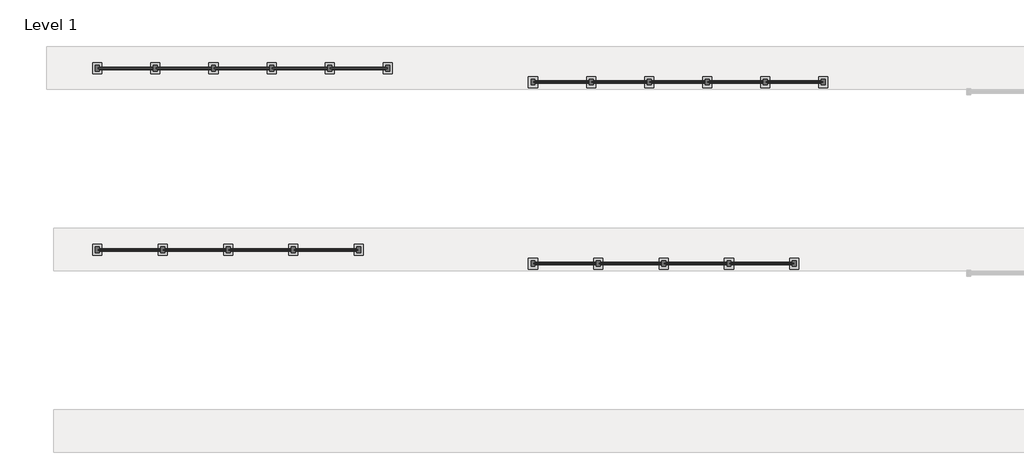
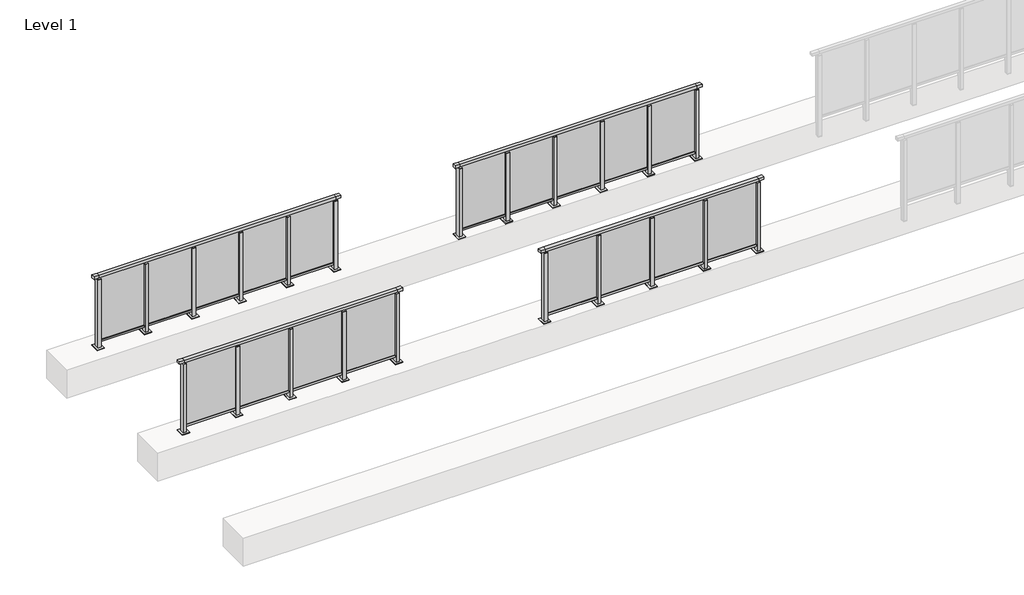
# One storey, part 37 of 38: 4 railings.
"""IFC4 building model written with IfcOpenShell, lengths in millimetres."""

from ifc_helpers import new_model, si_unit, frame, origin, origin_with_axes, place, context, project, spatial, polyline, outline, extrude, faceted_brep, element, save

model = new_model("IFC4")

# Units and contexts
model_context = context("Model", 3, world=origin())
ifc_project = project(units=[si_unit("LENGTHUNIT", "METRE", prefix="MILLI")], contexts=[model_context])

# Site, building, storey
site = spatial("IfcSite", under=ifc_project)
building = spatial("IfcBuilding", under=site)
storey = spatial("IfcBuildingStorey", under=building, Name="Level 1", Elevation=0.0)

# Railings
placement = place(None, origin())
element("IfcRailing", 1, at=placement, inside=storey, context=model_context, shape_type="SolidModel", body=[
    faceted_brep([(29476.1884576, 65220.1846828, 1252.5), (29476.1884576, 65220.1846828, 1300.0), (33076.1884576, 65220.1846828, 1300.0), (33076.1884576, 65220.1846828, 1252.5), (29476.1884576, 65160.1846828, 1252.5), (33076.1884576, 65160.1846828, 1252.5), (29476.1884576, 65160.1846828, 1300.0), (33076.1884576, 65160.1846828, 1300.0), (29388.6884576, 65220.1846828, 1300.0), (29388.6884576, 65220.1846828, 1252.5), (29388.6884576, 65160.1846828, 1252.5), (29388.6884576, 65160.1846828, 1300.0), (33163.6884576, 65220.1846828, 1300.0), (33163.6884576, 65160.1846828, 1300.0), (33163.6884576, 65160.1846828, 1252.5), (33163.6884576, 65220.1846828, 1252.5)], [[[0, 1, 2, 3]], [[4, 0, 3, 5]], [[6, 4, 5, 7]], [[1, 6, 7, 2]], [[8, 9, 10, 11]], [[9, 8, 1, 0]], [[10, 9, 0, 4]], [[11, 10, 4, 6]], [[8, 11, 6, 1]], [[12, 13, 14, 15]], [[3, 2, 12, 15]], [[5, 3, 15, 14]], [[7, 5, 14, 13]], [[2, 7, 13, 12]]]),
    extrude(outline(polyline([(29476.1884576, 65172.1846828), (29476.1884576, 65208.1846828), (33076.1884576, 65208.1846828), (33076.1884576, 65172.1846828), (29476.1884576, 65172.1846828)])), frame((0.0, 0.0, 93.0), z_axis=(0.0, 0.0, 1.0), x_axis=(1.0, 0.0, 0.0)), (0.0, 0.0, 1.0), 32.0),
    extrude(outline(polyline([(32186.1884576, 65193.9598727), (33066.1884576, 65193.9598727), (33066.1884576, 65183.9598727), (32186.1884576, 65183.9598727), (32186.1884576, 65193.9598727)])), frame((0.0, 0.0, 125.0), z_axis=(0.0, 0.0, 1.0), x_axis=(1.0, 0.0, 0.0)), (0.0, 0.0, 1.0), 1130.0),
    extrude(outline(polyline([(32203.1884576, 65151.1846828), (32149.1884576, 65151.1846828), (32149.1884576, 65229.1846828), (32203.1884576, 65229.1846828), (32203.1884576, 65151.1846828)])), frame((0.0, 0.0, 12.0), z_axis=(0.0, 0.0, 1.0), x_axis=(1.0, 0.0, 0.0)), (0.0, 0.0, 1.0), 1215.0),
    extrude(outline(polyline([(32186.1884576, 65180.1846828), (32166.1884576, 65180.1846828), (32166.1884576, 65200.1846828), (32186.1884576, 65200.1846828), (32186.1884576, 65180.1846828)])), frame((0.0, 0.0, 1235.0), z_axis=(0.0, 0.0, 1.0), x_axis=(1.0, 0.0, 0.0)), (0.0, 0.0, 1.0), 20.0),
    extrude(outline(polyline([(32203.1884576, 65151.1846828), (32149.1884576, 65151.1846828), (32149.1884576, 65229.1846828), (32203.1884576, 65229.1846828), (32203.1884576, 65151.1846828)])), frame((0.0, 0.0, 1227.0), z_axis=(0.0, 0.0, 1.0), x_axis=(1.0, 0.0, 0.0)), (0.0, 0.0, 1.0), 8.0),
    extrude(outline(polyline([(32238.6884576, 65115.1846828), (32113.6884576, 65115.1846828), (32113.6884576, 65265.1846828), (32238.6884576, 65265.1846828), (32238.6884576, 65115.1846828)])), origin_with_axes(), (0.0, 0.0, 1.0), 12.0),
    extrude(outline(polyline([(31286.1884576, 65193.9598727), (32166.1884576, 65193.9598727), (32166.1884576, 65183.9598727), (31286.1884576, 65183.9598727), (31286.1884576, 65193.9598727)])), frame((0.0, 0.0, 125.0), z_axis=(0.0, 0.0, 1.0), x_axis=(1.0, 0.0, 0.0)), (0.0, 0.0, 1.0), 1130.0),
    extrude(outline(polyline([(31303.1884576, 65151.1846828), (31249.1884576, 65151.1846828), (31249.1884576, 65229.1846828), (31303.1884576, 65229.1846828), (31303.1884576, 65151.1846828)])), frame((0.0, 0.0, 12.0), z_axis=(0.0, 0.0, 1.0), x_axis=(1.0, 0.0, 0.0)), (0.0, 0.0, 1.0), 1215.0),
    extrude(outline(polyline([(31286.1884576, 65180.1846828), (31266.1884576, 65180.1846828), (31266.1884576, 65200.1846828), (31286.1884576, 65200.1846828), (31286.1884576, 65180.1846828)])), frame((0.0, 0.0, 1235.0), z_axis=(0.0, 0.0, 1.0), x_axis=(1.0, 0.0, 0.0)), (0.0, 0.0, 1.0), 20.0),
    extrude(outline(polyline([(31303.1884576, 65151.1846828), (31249.1884576, 65151.1846828), (31249.1884576, 65229.1846828), (31303.1884576, 65229.1846828), (31303.1884576, 65151.1846828)])), frame((0.0, 0.0, 1227.0), z_axis=(0.0, 0.0, 1.0), x_axis=(1.0, 0.0, 0.0)), (0.0, 0.0, 1.0), 8.0),
    extrude(outline(polyline([(31338.6884576, 65115.1846828), (31213.6884576, 65115.1846828), (31213.6884576, 65265.1846828), (31338.6884576, 65265.1846828), (31338.6884576, 65115.1846828)])), origin_with_axes(), (0.0, 0.0, 1.0), 12.0),
    extrude(outline(polyline([(30386.1884576, 65193.9598727), (31266.1884576, 65193.9598727), (31266.1884576, 65183.9598727), (30386.1884576, 65183.9598727), (30386.1884576, 65193.9598727)])), frame((0.0, 0.0, 125.0), z_axis=(0.0, 0.0, 1.0), x_axis=(1.0, 0.0, 0.0)), (0.0, 0.0, 1.0), 1130.0),
    extrude(outline(polyline([(30403.1884576, 65151.1846828), (30349.1884576, 65151.1846828), (30349.1884576, 65229.1846828), (30403.1884576, 65229.1846828), (30403.1884576, 65151.1846828)])), frame((0.0, 0.0, 12.0), z_axis=(0.0, 0.0, 1.0), x_axis=(1.0, 0.0, 0.0)), (0.0, 0.0, 1.0), 1215.0),
    extrude(outline(polyline([(30386.1884576, 65180.1846828), (30366.1884576, 65180.1846828), (30366.1884576, 65200.1846828), (30386.1884576, 65200.1846828), (30386.1884576, 65180.1846828)])), frame((0.0, 0.0, 1235.0), z_axis=(0.0, 0.0, 1.0), x_axis=(1.0, 0.0, 0.0)), (0.0, 0.0, 1.0), 20.0),
    extrude(outline(polyline([(30403.1884576, 65151.1846828), (30349.1884576, 65151.1846828), (30349.1884576, 65229.1846828), (30403.1884576, 65229.1846828), (30403.1884576, 65151.1846828)])), frame((0.0, 0.0, 1227.0), z_axis=(0.0, 0.0, 1.0), x_axis=(1.0, 0.0, 0.0)), (0.0, 0.0, 1.0), 8.0),
    extrude(outline(polyline([(30438.6884576, 65115.1846828), (30313.6884576, 65115.1846828), (30313.6884576, 65265.1846828), (30438.6884576, 65265.1846828), (30438.6884576, 65115.1846828)])), origin_with_axes(), (0.0, 0.0, 1.0), 12.0),
    extrude(outline(polyline([(29486.1884576, 65193.9598727), (30366.1884576, 65193.9598727), (30366.1884576, 65183.9598727), (29486.1884576, 65183.9598727), (29486.1884576, 65193.9598727)])), frame((0.0, 0.0, 125.0), z_axis=(0.0, 0.0, 1.0), x_axis=(1.0, 0.0, 0.0)), (0.0, 0.0, 1.0), 1130.0),
    extrude(outline(polyline([(33103.1884576, 65151.1846828), (33049.1884576, 65151.1846828), (33049.1884576, 65229.1846828), (33103.1884576, 65229.1846828), (33103.1884576, 65151.1846828)])), frame((0.0, 0.0, 12.0), z_axis=(0.0, 0.0, 1.0), x_axis=(1.0, 0.0, 0.0)), (0.0, 0.0, 1.0), 1215.0),
    extrude(outline(polyline([(33086.1884576, 65180.1846828), (33066.1884576, 65180.1846828), (33066.1884576, 65200.1846828), (33086.1884576, 65200.1846828), (33086.1884576, 65180.1846828)])), frame((0.0, 0.0, 1235.0), z_axis=(0.0, 0.0, 1.0), x_axis=(1.0, 0.0, 0.0)), (0.0, 0.0, 1.0), 20.0),
    extrude(outline(polyline([(33103.1884576, 65151.1846828), (33049.1884576, 65151.1846828), (33049.1884576, 65229.1846828), (33103.1884576, 65229.1846828), (33103.1884576, 65151.1846828)])), frame((0.0, 0.0, 1227.0), z_axis=(0.0, 0.0, 1.0), x_axis=(1.0, 0.0, 0.0)), (0.0, 0.0, 1.0), 8.0),
    extrude(outline(polyline([(33138.6884576, 65115.1846828), (33013.6884576, 65115.1846828), (33013.6884576, 65265.1846828), (33138.6884576, 65265.1846828), (33138.6884576, 65115.1846828)])), origin_with_axes(), (0.0, 0.0, 1.0), 12.0),
    extrude(outline(polyline([(29503.1884576, 65151.1846828), (29449.1884576, 65151.1846828), (29449.1884576, 65229.1846828), (29503.1884576, 65229.1846828), (29503.1884576, 65151.1846828)])), frame((0.0, 0.0, 12.0), z_axis=(0.0, 0.0, 1.0), x_axis=(1.0, 0.0, 0.0)), (0.0, 0.0, 1.0), 1215.0),
    extrude(outline(polyline([(29486.1884576, 65180.1846828), (29466.1884576, 65180.1846828), (29466.1884576, 65200.1846828), (29486.1884576, 65200.1846828), (29486.1884576, 65180.1846828)])), frame((0.0, 0.0, 1235.0), z_axis=(0.0, 0.0, 1.0), x_axis=(1.0, 0.0, 0.0)), (0.0, 0.0, 1.0), 20.0),
    extrude(outline(polyline([(29503.1884576, 65151.1846828), (29449.1884576, 65151.1846828), (29449.1884576, 65229.1846828), (29503.1884576, 65229.1846828), (29503.1884576, 65151.1846828)])), frame((0.0, 0.0, 1227.0), z_axis=(0.0, 0.0, 1.0), x_axis=(1.0, 0.0, 0.0)), (0.0, 0.0, 1.0), 8.0),
    extrude(outline(polyline([(29538.6884576, 65115.1846828), (29413.6884576, 65115.1846828), (29413.6884576, 65265.1846828), (29538.6884576, 65265.1846828), (29538.6884576, 65115.1846828)])), origin_with_axes(), (0.0, 0.0, 1.0), 12.0),
])
element("IfcRailing", 2, at=placement, inside=storey, context=model_context, shape_type="SolidModel", body=[
    faceted_brep([(35476.1884576, 65030.1846828, 1252.5), (35476.1884576, 65030.1846828, 1300.0), (39076.1884576, 65030.1846828, 1300.0), (39076.1884576, 65030.1846828, 1252.5), (35476.1884576, 64970.1846828, 1252.5), (39076.1884576, 64970.1846828, 1252.5), (35476.1884576, 64970.1846828, 1300.0), (39076.1884576, 64970.1846828, 1300.0), (35388.6884576, 65030.1846828, 1300.0), (35388.6884576, 65030.1846828, 1252.5), (35388.6884576, 64970.1846828, 1252.5), (35388.6884576, 64970.1846828, 1300.0), (39163.6884576, 65030.1846828, 1300.0), (39163.6884576, 64970.1846828, 1300.0), (39163.6884576, 64970.1846828, 1252.5), (39163.6884576, 65030.1846828, 1252.5)], [[[0, 1, 2, 3]], [[4, 0, 3, 5]], [[6, 4, 5, 7]], [[1, 6, 7, 2]], [[8, 9, 10, 11]], [[9, 8, 1, 0]], [[10, 9, 0, 4]], [[11, 10, 4, 6]], [[8, 11, 6, 1]], [[12, 13, 14, 15]], [[3, 2, 12, 15]], [[5, 3, 15, 14]], [[7, 5, 14, 13]], [[2, 7, 13, 12]]]),
    extrude(outline(polyline([(35476.1884576, 64982.1846828), (35476.1884576, 65018.1846828), (39076.1884576, 65018.1846828), (39076.1884576, 64982.1846828), (35476.1884576, 64982.1846828)])), frame((0.0, 0.0, 93.0), z_axis=(0.0, 0.0, 1.0), x_axis=(1.0, 0.0, 0.0)), (0.0, 0.0, 1.0), 32.0),
    extrude(outline(polyline([(38186.1884576, 65005.9598727), (39066.1884576, 65005.9598727), (39066.1884576, 64995.9598727), (38186.1884576, 64995.9598727), (38186.1884576, 65005.9598727)])), frame((0.0, 0.0, 125.0), z_axis=(0.0, 0.0, 1.0), x_axis=(1.0, 0.0, 0.0)), (0.0, 0.0, 1.0), 1130.0),
    extrude(outline(polyline([(38203.1884576, 64961.1846828), (38149.1884576, 64961.1846828), (38149.1884576, 65039.1846828), (38203.1884576, 65039.1846828), (38203.1884576, 64961.1846828)])), frame((0.0, 0.0, 12.0), z_axis=(0.0, 0.0, 1.0), x_axis=(1.0, 0.0, 0.0)), (0.0, 0.0, 1.0), 1215.0),
    extrude(outline(polyline([(38186.1884576, 64990.1846828), (38166.1884576, 64990.1846828), (38166.1884576, 65010.1846828), (38186.1884576, 65010.1846828), (38186.1884576, 64990.1846828)])), frame((0.0, 0.0, 1235.0), z_axis=(0.0, 0.0, 1.0), x_axis=(1.0, 0.0, 0.0)), (0.0, 0.0, 1.0), 20.0),
    extrude(outline(polyline([(38203.1884576, 64961.1846828), (38149.1884576, 64961.1846828), (38149.1884576, 65039.1846828), (38203.1884576, 65039.1846828), (38203.1884576, 64961.1846828)])), frame((0.0, 0.0, 1227.0), z_axis=(0.0, 0.0, 1.0), x_axis=(1.0, 0.0, 0.0)), (0.0, 0.0, 1.0), 8.0),
    extrude(outline(polyline([(38238.6884576, 64925.1846828), (38113.6884576, 64925.1846828), (38113.6884576, 65075.1846828), (38238.6884576, 65075.1846828), (38238.6884576, 64925.1846828)])), origin_with_axes(), (0.0, 0.0, 1.0), 12.0),
    extrude(outline(polyline([(37286.1884576, 65005.9598727), (38166.1884576, 65005.9598727), (38166.1884576, 64995.9598727), (37286.1884576, 64995.9598727), (37286.1884576, 65005.9598727)])), frame((0.0, 0.0, 125.0), z_axis=(0.0, 0.0, 1.0), x_axis=(1.0, 0.0, 0.0)), (0.0, 0.0, 1.0), 1130.0),
    extrude(outline(polyline([(37303.1884576, 64961.1846828), (37249.1884576, 64961.1846828), (37249.1884576, 65039.1846828), (37303.1884576, 65039.1846828), (37303.1884576, 64961.1846828)])), frame((0.0, 0.0, 12.0), z_axis=(0.0, 0.0, 1.0), x_axis=(1.0, 0.0, 0.0)), (0.0, 0.0, 1.0), 1215.0),
    extrude(outline(polyline([(37286.1884576, 64990.1846828), (37266.1884576, 64990.1846828), (37266.1884576, 65010.1846828), (37286.1884576, 65010.1846828), (37286.1884576, 64990.1846828)])), frame((0.0, 0.0, 1235.0), z_axis=(0.0, 0.0, 1.0), x_axis=(1.0, 0.0, 0.0)), (0.0, 0.0, 1.0), 20.0),
    extrude(outline(polyline([(37303.1884576, 64961.1846828), (37249.1884576, 64961.1846828), (37249.1884576, 65039.1846828), (37303.1884576, 65039.1846828), (37303.1884576, 64961.1846828)])), frame((0.0, 0.0, 1227.0), z_axis=(0.0, 0.0, 1.0), x_axis=(1.0, 0.0, 0.0)), (0.0, 0.0, 1.0), 8.0),
    extrude(outline(polyline([(37338.6884576, 64925.1846828), (37213.6884576, 64925.1846828), (37213.6884576, 65075.1846828), (37338.6884576, 65075.1846828), (37338.6884576, 64925.1846828)])), origin_with_axes(), (0.0, 0.0, 1.0), 12.0),
    extrude(outline(polyline([(36386.1884576, 65005.9598727), (37266.1884576, 65005.9598727), (37266.1884576, 64995.9598727), (36386.1884576, 64995.9598727), (36386.1884576, 65005.9598727)])), frame((0.0, 0.0, 125.0), z_axis=(0.0, 0.0, 1.0), x_axis=(1.0, 0.0, 0.0)), (0.0, 0.0, 1.0), 1130.0),
    extrude(outline(polyline([(36403.1884576, 64961.1846828), (36349.1884576, 64961.1846828), (36349.1884576, 65039.1846828), (36403.1884576, 65039.1846828), (36403.1884576, 64961.1846828)])), frame((0.0, 0.0, 12.0), z_axis=(0.0, 0.0, 1.0), x_axis=(1.0, 0.0, 0.0)), (0.0, 0.0, 1.0), 1215.0),
    extrude(outline(polyline([(36386.1884576, 64990.1846828), (36366.1884576, 64990.1846828), (36366.1884576, 65010.1846828), (36386.1884576, 65010.1846828), (36386.1884576, 64990.1846828)])), frame((0.0, 0.0, 1235.0), z_axis=(0.0, 0.0, 1.0), x_axis=(1.0, 0.0, 0.0)), (0.0, 0.0, 1.0), 20.0),
    extrude(outline(polyline([(36403.1884576, 64961.1846828), (36349.1884576, 64961.1846828), (36349.1884576, 65039.1846828), (36403.1884576, 65039.1846828), (36403.1884576, 64961.1846828)])), frame((0.0, 0.0, 1227.0), z_axis=(0.0, 0.0, 1.0), x_axis=(1.0, 0.0, 0.0)), (0.0, 0.0, 1.0), 8.0),
    extrude(outline(polyline([(36438.6884576, 64925.1846828), (36313.6884576, 64925.1846828), (36313.6884576, 65075.1846828), (36438.6884576, 65075.1846828), (36438.6884576, 64925.1846828)])), origin_with_axes(), (0.0, 0.0, 1.0), 12.0),
    extrude(outline(polyline([(35486.1884576, 65005.9598727), (36366.1884576, 65005.9598727), (36366.1884576, 64995.9598727), (35486.1884576, 64995.9598727), (35486.1884576, 65005.9598727)])), frame((0.0, 0.0, 125.0), z_axis=(0.0, 0.0, 1.0), x_axis=(1.0, 0.0, 0.0)), (0.0, 0.0, 1.0), 1130.0),
    extrude(outline(polyline([(39103.1884576, 64961.1846828), (39049.1884576, 64961.1846828), (39049.1884576, 65039.1846828), (39103.1884576, 65039.1846828), (39103.1884576, 64961.1846828)])), frame((0.0, 0.0, 12.0), z_axis=(0.0, 0.0, 1.0), x_axis=(1.0, 0.0, 0.0)), (0.0, 0.0, 1.0), 1215.0),
    extrude(outline(polyline([(39086.1884576, 64990.1846828), (39066.1884576, 64990.1846828), (39066.1884576, 65010.1846828), (39086.1884576, 65010.1846828), (39086.1884576, 64990.1846828)])), frame((0.0, 0.0, 1235.0), z_axis=(0.0, 0.0, 1.0), x_axis=(1.0, 0.0, 0.0)), (0.0, 0.0, 1.0), 20.0),
    extrude(outline(polyline([(39103.1884576, 64961.1846828), (39049.1884576, 64961.1846828), (39049.1884576, 65039.1846828), (39103.1884576, 65039.1846828), (39103.1884576, 64961.1846828)])), frame((0.0, 0.0, 1227.0), z_axis=(0.0, 0.0, 1.0), x_axis=(1.0, 0.0, 0.0)), (0.0, 0.0, 1.0), 8.0),
    extrude(outline(polyline([(39138.6884576, 64925.1846828), (39013.6884576, 64925.1846828), (39013.6884576, 65075.1846828), (39138.6884576, 65075.1846828), (39138.6884576, 64925.1846828)])), origin_with_axes(), (0.0, 0.0, 1.0), 12.0),
    extrude(outline(polyline([(35503.1884576, 64961.1846828), (35449.1884576, 64961.1846828), (35449.1884576, 65039.1846828), (35503.1884576, 65039.1846828), (35503.1884576, 64961.1846828)])), frame((0.0, 0.0, 12.0), z_axis=(0.0, 0.0, 1.0), x_axis=(1.0, 0.0, 0.0)), (0.0, 0.0, 1.0), 1215.0),
    extrude(outline(polyline([(35486.1884576, 64990.1846828), (35466.1884576, 64990.1846828), (35466.1884576, 65010.1846828), (35486.1884576, 65010.1846828), (35486.1884576, 64990.1846828)])), frame((0.0, 0.0, 1235.0), z_axis=(0.0, 0.0, 1.0), x_axis=(1.0, 0.0, 0.0)), (0.0, 0.0, 1.0), 20.0),
    extrude(outline(polyline([(35503.1884576, 64961.1846828), (35449.1884576, 64961.1846828), (35449.1884576, 65039.1846828), (35503.1884576, 65039.1846828), (35503.1884576, 64961.1846828)])), frame((0.0, 0.0, 1227.0), z_axis=(0.0, 0.0, 1.0), x_axis=(1.0, 0.0, 0.0)), (0.0, 0.0, 1.0), 8.0),
    extrude(outline(polyline([(35538.6884576, 64925.1846828), (35413.6884576, 64925.1846828), (35413.6884576, 65075.1846828), (35538.6884576, 65075.1846828), (35538.6884576, 64925.1846828)])), origin_with_axes(), (0.0, 0.0, 1.0), 12.0),
])
element("IfcRailing", 3, at=placement, inside=storey, context=model_context, shape_type="SolidModel", body=[
    faceted_brep([(29476.1884576, 67720.1846828, 1252.5), (29476.1884576, 67720.1846828, 1300.0), (33476.1884576, 67720.1846828, 1300.0), (33476.1884576, 67720.1846828, 1252.5), (29476.1884576, 67660.1846828, 1252.5), (33476.1884576, 67660.1846828, 1252.5), (29476.1884576, 67660.1846828, 1300.0), (33476.1884576, 67660.1846828, 1300.0), (29388.6884576, 67720.1846828, 1300.0), (29388.6884576, 67720.1846828, 1252.5), (29388.6884576, 67660.1846828, 1252.5), (29388.6884576, 67660.1846828, 1300.0), (33563.6884576, 67720.1846828, 1300.0), (33563.6884576, 67660.1846828, 1300.0), (33563.6884576, 67660.1846828, 1252.5), (33563.6884576, 67720.1846828, 1252.5)], [[[0, 1, 2, 3]], [[4, 0, 3, 5]], [[6, 4, 5, 7]], [[1, 6, 7, 2]], [[8, 9, 10, 11]], [[9, 8, 1, 0]], [[10, 9, 0, 4]], [[11, 10, 4, 6]], [[8, 11, 6, 1]], [[12, 13, 14, 15]], [[3, 2, 12, 15]], [[5, 3, 15, 14]], [[7, 5, 14, 13]], [[2, 7, 13, 12]]]),
    extrude(outline(polyline([(29476.1884576, 67672.1846828), (29476.1884576, 67708.1846828), (33476.1884576, 67708.1846828), (33476.1884576, 67672.1846828), (29476.1884576, 67672.1846828)])), frame((0.0, 0.0, 93.0), z_axis=(0.0, 0.0, 1.0), x_axis=(1.0, 0.0, 0.0)), (0.0, 0.0, 1.0), 32.0),
    extrude(outline(polyline([(32686.1884576, 67695.9598727), (33466.1884576, 67695.9598727), (33466.1884576, 67685.9598727), (32686.1884576, 67685.9598727), (32686.1884576, 67695.9598727)])), frame((0.0, 0.0, 125.0), z_axis=(0.0, 0.0, 1.0), x_axis=(1.0, 0.0, 0.0)), (0.0, 0.0, 1.0), 1130.0),
    extrude(outline(polyline([(32703.1884576, 67651.1846828), (32649.1884576, 67651.1846828), (32649.1884576, 67729.1846828), (32703.1884576, 67729.1846828), (32703.1884576, 67651.1846828)])), frame((0.0, 0.0, 12.0), z_axis=(0.0, 0.0, 1.0), x_axis=(1.0, 0.0, 0.0)), (0.0, 0.0, 1.0), 1215.0),
    extrude(outline(polyline([(32686.1884576, 67680.1846828), (32666.1884576, 67680.1846828), (32666.1884576, 67700.1846828), (32686.1884576, 67700.1846828), (32686.1884576, 67680.1846828)])), frame((0.0, 0.0, 1235.0), z_axis=(0.0, 0.0, 1.0), x_axis=(1.0, 0.0, 0.0)), (0.0, 0.0, 1.0), 20.0),
    extrude(outline(polyline([(32703.1884576, 67651.1846828), (32649.1884576, 67651.1846828), (32649.1884576, 67729.1846828), (32703.1884576, 67729.1846828), (32703.1884576, 67651.1846828)])), frame((0.0, 0.0, 1227.0), z_axis=(0.0, 0.0, 1.0), x_axis=(1.0, 0.0, 0.0)), (0.0, 0.0, 1.0), 8.0),
    extrude(outline(polyline([(32738.6884576, 67615.1846828), (32613.6884576, 67615.1846828), (32613.6884576, 67765.1846828), (32738.6884576, 67765.1846828), (32738.6884576, 67615.1846828)])), origin_with_axes(), (0.0, 0.0, 1.0), 12.0),
    extrude(outline(polyline([(31886.1884576, 67695.9598727), (32666.1884576, 67695.9598727), (32666.1884576, 67685.9598727), (31886.1884576, 67685.9598727), (31886.1884576, 67695.9598727)])), frame((0.0, 0.0, 125.0), z_axis=(0.0, 0.0, 1.0), x_axis=(1.0, 0.0, 0.0)), (0.0, 0.0, 1.0), 1130.0),
    extrude(outline(polyline([(31903.1884576, 67651.1846828), (31849.1884576, 67651.1846828), (31849.1884576, 67729.1846828), (31903.1884576, 67729.1846828), (31903.1884576, 67651.1846828)])), frame((0.0, 0.0, 12.0), z_axis=(0.0, 0.0, 1.0), x_axis=(1.0, 0.0, 0.0)), (0.0, 0.0, 1.0), 1215.0),
    extrude(outline(polyline([(31886.1884576, 67680.1846828), (31866.1884576, 67680.1846828), (31866.1884576, 67700.1846828), (31886.1884576, 67700.1846828), (31886.1884576, 67680.1846828)])), frame((0.0, 0.0, 1235.0), z_axis=(0.0, 0.0, 1.0), x_axis=(1.0, 0.0, 0.0)), (0.0, 0.0, 1.0), 20.0),
    extrude(outline(polyline([(31903.1884576, 67651.1846828), (31849.1884576, 67651.1846828), (31849.1884576, 67729.1846828), (31903.1884576, 67729.1846828), (31903.1884576, 67651.1846828)])), frame((0.0, 0.0, 1227.0), z_axis=(0.0, 0.0, 1.0), x_axis=(1.0, 0.0, 0.0)), (0.0, 0.0, 1.0), 8.0),
    extrude(outline(polyline([(31938.6884576, 67615.1846828), (31813.6884576, 67615.1846828), (31813.6884576, 67765.1846828), (31938.6884576, 67765.1846828), (31938.6884576, 67615.1846828)])), origin_with_axes(), (0.0, 0.0, 1.0), 12.0),
    extrude(outline(polyline([(31086.1884576, 67695.9598727), (31866.1884576, 67695.9598727), (31866.1884576, 67685.9598727), (31086.1884576, 67685.9598727), (31086.1884576, 67695.9598727)])), frame((0.0, 0.0, 125.0), z_axis=(0.0, 0.0, 1.0), x_axis=(1.0, 0.0, 0.0)), (0.0, 0.0, 1.0), 1130.0),
    extrude(outline(polyline([(31103.1884576, 67651.1846828), (31049.1884576, 67651.1846828), (31049.1884576, 67729.1846828), (31103.1884576, 67729.1846828), (31103.1884576, 67651.1846828)])), frame((0.0, 0.0, 12.0), z_axis=(0.0, 0.0, 1.0), x_axis=(1.0, 0.0, 0.0)), (0.0, 0.0, 1.0), 1215.0),
    extrude(outline(polyline([(31086.1884576, 67680.1846828), (31066.1884576, 67680.1846828), (31066.1884576, 67700.1846828), (31086.1884576, 67700.1846828), (31086.1884576, 67680.1846828)])), frame((0.0, 0.0, 1235.0), z_axis=(0.0, 0.0, 1.0), x_axis=(1.0, 0.0, 0.0)), (0.0, 0.0, 1.0), 20.0),
    extrude(outline(polyline([(31103.1884576, 67651.1846828), (31049.1884576, 67651.1846828), (31049.1884576, 67729.1846828), (31103.1884576, 67729.1846828), (31103.1884576, 67651.1846828)])), frame((0.0, 0.0, 1227.0), z_axis=(0.0, 0.0, 1.0), x_axis=(1.0, 0.0, 0.0)), (0.0, 0.0, 1.0), 8.0),
    extrude(outline(polyline([(31138.6884576, 67615.1846828), (31013.6884576, 67615.1846828), (31013.6884576, 67765.1846828), (31138.6884576, 67765.1846828), (31138.6884576, 67615.1846828)])), origin_with_axes(), (0.0, 0.0, 1.0), 12.0),
    extrude(outline(polyline([(30286.1884576, 67695.9598727), (31066.1884576, 67695.9598727), (31066.1884576, 67685.9598727), (30286.1884576, 67685.9598727), (30286.1884576, 67695.9598727)])), frame((0.0, 0.0, 125.0), z_axis=(0.0, 0.0, 1.0), x_axis=(1.0, 0.0, 0.0)), (0.0, 0.0, 1.0), 1130.0),
    extrude(outline(polyline([(30303.1884576, 67651.1846828), (30249.1884576, 67651.1846828), (30249.1884576, 67729.1846828), (30303.1884576, 67729.1846828), (30303.1884576, 67651.1846828)])), frame((0.0, 0.0, 12.0), z_axis=(0.0, 0.0, 1.0), x_axis=(1.0, 0.0, 0.0)), (0.0, 0.0, 1.0), 1215.0),
    extrude(outline(polyline([(30286.1884576, 67680.1846828), (30266.1884576, 67680.1846828), (30266.1884576, 67700.1846828), (30286.1884576, 67700.1846828), (30286.1884576, 67680.1846828)])), frame((0.0, 0.0, 1235.0), z_axis=(0.0, 0.0, 1.0), x_axis=(1.0, 0.0, 0.0)), (0.0, 0.0, 1.0), 20.0),
    extrude(outline(polyline([(30303.1884576, 67651.1846828), (30249.1884576, 67651.1846828), (30249.1884576, 67729.1846828), (30303.1884576, 67729.1846828), (30303.1884576, 67651.1846828)])), frame((0.0, 0.0, 1227.0), z_axis=(0.0, 0.0, 1.0), x_axis=(1.0, 0.0, 0.0)), (0.0, 0.0, 1.0), 8.0),
    extrude(outline(polyline([(30338.6884576, 67615.1846828), (30213.6884576, 67615.1846828), (30213.6884576, 67765.1846828), (30338.6884576, 67765.1846828), (30338.6884576, 67615.1846828)])), origin_with_axes(), (0.0, 0.0, 1.0), 12.0),
    extrude(outline(polyline([(29486.1884576, 67695.9598727), (30266.1884576, 67695.9598727), (30266.1884576, 67685.9598727), (29486.1884576, 67685.9598727), (29486.1884576, 67695.9598727)])), frame((0.0, 0.0, 125.0), z_axis=(0.0, 0.0, 1.0), x_axis=(1.0, 0.0, 0.0)), (0.0, 0.0, 1.0), 1130.0),
    extrude(outline(polyline([(33503.1884576, 67651.1846828), (33449.1884576, 67651.1846828), (33449.1884576, 67729.1846828), (33503.1884576, 67729.1846828), (33503.1884576, 67651.1846828)])), frame((0.0, 0.0, 12.0), z_axis=(0.0, 0.0, 1.0), x_axis=(1.0, 0.0, 0.0)), (0.0, 0.0, 1.0), 1215.0),
    extrude(outline(polyline([(33486.1884576, 67680.1846828), (33466.1884576, 67680.1846828), (33466.1884576, 67700.1846828), (33486.1884576, 67700.1846828), (33486.1884576, 67680.1846828)])), frame((0.0, 0.0, 1235.0), z_axis=(0.0, 0.0, 1.0), x_axis=(1.0, 0.0, 0.0)), (0.0, 0.0, 1.0), 20.0),
    extrude(outline(polyline([(33503.1884576, 67651.1846828), (33449.1884576, 67651.1846828), (33449.1884576, 67729.1846828), (33503.1884576, 67729.1846828), (33503.1884576, 67651.1846828)])), frame((0.0, 0.0, 1227.0), z_axis=(0.0, 0.0, 1.0), x_axis=(1.0, 0.0, 0.0)), (0.0, 0.0, 1.0), 8.0),
    extrude(outline(polyline([(33538.6884576, 67615.1846828), (33413.6884576, 67615.1846828), (33413.6884576, 67765.1846828), (33538.6884576, 67765.1846828), (33538.6884576, 67615.1846828)])), origin_with_axes(), (0.0, 0.0, 1.0), 12.0),
    extrude(outline(polyline([(29503.1884576, 67651.1846828), (29449.1884576, 67651.1846828), (29449.1884576, 67729.1846828), (29503.1884576, 67729.1846828), (29503.1884576, 67651.1846828)])), frame((0.0, 0.0, 12.0), z_axis=(0.0, 0.0, 1.0), x_axis=(1.0, 0.0, 0.0)), (0.0, 0.0, 1.0), 1215.0),
    extrude(outline(polyline([(29486.1884576, 67680.1846828), (29466.1884576, 67680.1846828), (29466.1884576, 67700.1846828), (29486.1884576, 67700.1846828), (29486.1884576, 67680.1846828)])), frame((0.0, 0.0, 1235.0), z_axis=(0.0, 0.0, 1.0), x_axis=(1.0, 0.0, 0.0)), (0.0, 0.0, 1.0), 20.0),
    extrude(outline(polyline([(29503.1884576, 67651.1846828), (29449.1884576, 67651.1846828), (29449.1884576, 67729.1846828), (29503.1884576, 67729.1846828), (29503.1884576, 67651.1846828)])), frame((0.0, 0.0, 1227.0), z_axis=(0.0, 0.0, 1.0), x_axis=(1.0, 0.0, 0.0)), (0.0, 0.0, 1.0), 8.0),
    extrude(outline(polyline([(29538.6884576, 67615.1846828), (29413.6884576, 67615.1846828), (29413.6884576, 67765.1846828), (29538.6884576, 67765.1846828), (29538.6884576, 67615.1846828)])), origin_with_axes(), (0.0, 0.0, 1.0), 12.0),
])
element("IfcRailing", 4, at=placement, inside=storey, context=model_context, shape_type="SolidModel", body=[
    faceted_brep([(35476.1884576, 67530.1846828, 1252.5), (35476.1884576, 67530.1846828, 1300.0), (39476.1884576, 67530.1846828, 1300.0), (39476.1884576, 67530.1846828, 1252.5), (35476.1884576, 67470.1846828, 1252.5), (39476.1884576, 67470.1846828, 1252.5), (35476.1884576, 67470.1846828, 1300.0), (39476.1884576, 67470.1846828, 1300.0), (35388.6884576, 67530.1846828, 1300.0), (35388.6884576, 67530.1846828, 1252.5), (35388.6884576, 67470.1846828, 1252.5), (35388.6884576, 67470.1846828, 1300.0), (39563.6884576, 67530.1846828, 1300.0), (39563.6884576, 67470.1846828, 1300.0), (39563.6884576, 67470.1846828, 1252.5), (39563.6884576, 67530.1846828, 1252.5)], [[[0, 1, 2, 3]], [[4, 0, 3, 5]], [[6, 4, 5, 7]], [[1, 6, 7, 2]], [[8, 9, 10, 11]], [[9, 8, 1, 0]], [[10, 9, 0, 4]], [[11, 10, 4, 6]], [[8, 11, 6, 1]], [[12, 13, 14, 15]], [[3, 2, 12, 15]], [[5, 3, 15, 14]], [[7, 5, 14, 13]], [[2, 7, 13, 12]]]),
    extrude(outline(polyline([(35476.1884576, 67482.1846828), (35476.1884576, 67518.1846828), (39476.1884576, 67518.1846828), (39476.1884576, 67482.1846828), (35476.1884576, 67482.1846828)])), frame((0.0, 0.0, 93.0), z_axis=(0.0, 0.0, 1.0), x_axis=(1.0, 0.0, 0.0)), (0.0, 0.0, 1.0), 32.0),
    extrude(outline(polyline([(38686.1884576, 67505.9598727), (39466.1884576, 67505.9598727), (39466.1884576, 67495.9598727), (38686.1884576, 67495.9598727), (38686.1884576, 67505.9598727)])), frame((0.0, 0.0, 125.0), z_axis=(0.0, 0.0, 1.0), x_axis=(1.0, 0.0, 0.0)), (0.0, 0.0, 1.0), 1130.0),
    extrude(outline(polyline([(38703.1884576, 67461.1846828), (38649.1884576, 67461.1846828), (38649.1884576, 67539.1846828), (38703.1884576, 67539.1846828), (38703.1884576, 67461.1846828)])), frame((0.0, 0.0, 12.0), z_axis=(0.0, 0.0, 1.0), x_axis=(1.0, 0.0, 0.0)), (0.0, 0.0, 1.0), 1215.0),
    extrude(outline(polyline([(38686.1884576, 67490.1846828), (38666.1884576, 67490.1846828), (38666.1884576, 67510.1846828), (38686.1884576, 67510.1846828), (38686.1884576, 67490.1846828)])), frame((0.0, 0.0, 1235.0), z_axis=(0.0, 0.0, 1.0), x_axis=(1.0, 0.0, 0.0)), (0.0, 0.0, 1.0), 20.0),
    extrude(outline(polyline([(38703.1884576, 67461.1846828), (38649.1884576, 67461.1846828), (38649.1884576, 67539.1846828), (38703.1884576, 67539.1846828), (38703.1884576, 67461.1846828)])), frame((0.0, 0.0, 1227.0), z_axis=(0.0, 0.0, 1.0), x_axis=(1.0, 0.0, 0.0)), (0.0, 0.0, 1.0), 8.0),
    extrude(outline(polyline([(38738.6884576, 67425.1846828), (38613.6884576, 67425.1846828), (38613.6884576, 67575.1846828), (38738.6884576, 67575.1846828), (38738.6884576, 67425.1846828)])), origin_with_axes(), (0.0, 0.0, 1.0), 12.0),
    extrude(outline(polyline([(37886.1884576, 67505.9598727), (38666.1884576, 67505.9598727), (38666.1884576, 67495.9598727), (37886.1884576, 67495.9598727), (37886.1884576, 67505.9598727)])), frame((0.0, 0.0, 125.0), z_axis=(0.0, 0.0, 1.0), x_axis=(1.0, 0.0, 0.0)), (0.0, 0.0, 1.0), 1130.0),
    extrude(outline(polyline([(37903.1884576, 67461.1846828), (37849.1884576, 67461.1846828), (37849.1884576, 67539.1846828), (37903.1884576, 67539.1846828), (37903.1884576, 67461.1846828)])), frame((0.0, 0.0, 12.0), z_axis=(0.0, 0.0, 1.0), x_axis=(1.0, 0.0, 0.0)), (0.0, 0.0, 1.0), 1215.0),
    extrude(outline(polyline([(37886.1884576, 67490.1846828), (37866.1884576, 67490.1846828), (37866.1884576, 67510.1846828), (37886.1884576, 67510.1846828), (37886.1884576, 67490.1846828)])), frame((0.0, 0.0, 1235.0), z_axis=(0.0, 0.0, 1.0), x_axis=(1.0, 0.0, 0.0)), (0.0, 0.0, 1.0), 20.0),
    extrude(outline(polyline([(37903.1884576, 67461.1846828), (37849.1884576, 67461.1846828), (37849.1884576, 67539.1846828), (37903.1884576, 67539.1846828), (37903.1884576, 67461.1846828)])), frame((0.0, 0.0, 1227.0), z_axis=(0.0, 0.0, 1.0), x_axis=(1.0, 0.0, 0.0)), (0.0, 0.0, 1.0), 8.0),
    extrude(outline(polyline([(37938.6884576, 67425.1846828), (37813.6884576, 67425.1846828), (37813.6884576, 67575.1846828), (37938.6884576, 67575.1846828), (37938.6884576, 67425.1846828)])), origin_with_axes(), (0.0, 0.0, 1.0), 12.0),
    extrude(outline(polyline([(37086.1884576, 67505.9598727), (37866.1884576, 67505.9598727), (37866.1884576, 67495.9598727), (37086.1884576, 67495.9598727), (37086.1884576, 67505.9598727)])), frame((0.0, 0.0, 125.0), z_axis=(0.0, 0.0, 1.0), x_axis=(1.0, 0.0, 0.0)), (0.0, 0.0, 1.0), 1130.0),
    extrude(outline(polyline([(37103.1884576, 67461.1846828), (37049.1884576, 67461.1846828), (37049.1884576, 67539.1846828), (37103.1884576, 67539.1846828), (37103.1884576, 67461.1846828)])), frame((0.0, 0.0, 12.0), z_axis=(0.0, 0.0, 1.0), x_axis=(1.0, 0.0, 0.0)), (0.0, 0.0, 1.0), 1215.0),
    extrude(outline(polyline([(37086.1884576, 67490.1846828), (37066.1884576, 67490.1846828), (37066.1884576, 67510.1846828), (37086.1884576, 67510.1846828), (37086.1884576, 67490.1846828)])), frame((0.0, 0.0, 1235.0), z_axis=(0.0, 0.0, 1.0), x_axis=(1.0, 0.0, 0.0)), (0.0, 0.0, 1.0), 20.0),
    extrude(outline(polyline([(37103.1884576, 67461.1846828), (37049.1884576, 67461.1846828), (37049.1884576, 67539.1846828), (37103.1884576, 67539.1846828), (37103.1884576, 67461.1846828)])), frame((0.0, 0.0, 1227.0), z_axis=(0.0, 0.0, 1.0), x_axis=(1.0, 0.0, 0.0)), (0.0, 0.0, 1.0), 8.0),
    extrude(outline(polyline([(37138.6884576, 67425.1846828), (37013.6884576, 67425.1846828), (37013.6884576, 67575.1846828), (37138.6884576, 67575.1846828), (37138.6884576, 67425.1846828)])), origin_with_axes(), (0.0, 0.0, 1.0), 12.0),
    extrude(outline(polyline([(36286.1884576, 67505.9598727), (37066.1884576, 67505.9598727), (37066.1884576, 67495.9598727), (36286.1884576, 67495.9598727), (36286.1884576, 67505.9598727)])), frame((0.0, 0.0, 125.0), z_axis=(0.0, 0.0, 1.0), x_axis=(1.0, 0.0, 0.0)), (0.0, 0.0, 1.0), 1130.0),
    extrude(outline(polyline([(36303.1884576, 67461.1846828), (36249.1884576, 67461.1846828), (36249.1884576, 67539.1846828), (36303.1884576, 67539.1846828), (36303.1884576, 67461.1846828)])), frame((0.0, 0.0, 12.0), z_axis=(0.0, 0.0, 1.0), x_axis=(1.0, 0.0, 0.0)), (0.0, 0.0, 1.0), 1215.0),
    extrude(outline(polyline([(36286.1884576, 67490.1846828), (36266.1884576, 67490.1846828), (36266.1884576, 67510.1846828), (36286.1884576, 67510.1846828), (36286.1884576, 67490.1846828)])), frame((0.0, 0.0, 1235.0), z_axis=(0.0, 0.0, 1.0), x_axis=(1.0, 0.0, 0.0)), (0.0, 0.0, 1.0), 20.0),
    extrude(outline(polyline([(36303.1884576, 67461.1846828), (36249.1884576, 67461.1846828), (36249.1884576, 67539.1846828), (36303.1884576, 67539.1846828), (36303.1884576, 67461.1846828)])), frame((0.0, 0.0, 1227.0), z_axis=(0.0, 0.0, 1.0), x_axis=(1.0, 0.0, 0.0)), (0.0, 0.0, 1.0), 8.0),
    extrude(outline(polyline([(36338.6884576, 67425.1846828), (36213.6884576, 67425.1846828), (36213.6884576, 67575.1846828), (36338.6884576, 67575.1846828), (36338.6884576, 67425.1846828)])), origin_with_axes(), (0.0, 0.0, 1.0), 12.0),
    extrude(outline(polyline([(35486.1884576, 67505.9598727), (36266.1884576, 67505.9598727), (36266.1884576, 67495.9598727), (35486.1884576, 67495.9598727), (35486.1884576, 67505.9598727)])), frame((0.0, 0.0, 125.0), z_axis=(0.0, 0.0, 1.0), x_axis=(1.0, 0.0, 0.0)), (0.0, 0.0, 1.0), 1130.0),
    extrude(outline(polyline([(39503.1884576, 67461.1846828), (39449.1884576, 67461.1846828), (39449.1884576, 67539.1846828), (39503.1884576, 67539.1846828), (39503.1884576, 67461.1846828)])), frame((0.0, 0.0, 12.0), z_axis=(0.0, 0.0, 1.0), x_axis=(1.0, 0.0, 0.0)), (0.0, 0.0, 1.0), 1215.0),
    extrude(outline(polyline([(39486.1884576, 67490.1846828), (39466.1884576, 67490.1846828), (39466.1884576, 67510.1846828), (39486.1884576, 67510.1846828), (39486.1884576, 67490.1846828)])), frame((0.0, 0.0, 1235.0), z_axis=(0.0, 0.0, 1.0), x_axis=(1.0, 0.0, 0.0)), (0.0, 0.0, 1.0), 20.0),
    extrude(outline(polyline([(39503.1884576, 67461.1846828), (39449.1884576, 67461.1846828), (39449.1884576, 67539.1846828), (39503.1884576, 67539.1846828), (39503.1884576, 67461.1846828)])), frame((0.0, 0.0, 1227.0), z_axis=(0.0, 0.0, 1.0), x_axis=(1.0, 0.0, 0.0)), (0.0, 0.0, 1.0), 8.0),
    extrude(outline(polyline([(39538.6884576, 67425.1846828), (39413.6884576, 67425.1846828), (39413.6884576, 67575.1846828), (39538.6884576, 67575.1846828), (39538.6884576, 67425.1846828)])), origin_with_axes(), (0.0, 0.0, 1.0), 12.0),
    extrude(outline(polyline([(35503.1884576, 67461.1846828), (35449.1884576, 67461.1846828), (35449.1884576, 67539.1846828), (35503.1884576, 67539.1846828), (35503.1884576, 67461.1846828)])), frame((0.0, 0.0, 12.0), z_axis=(0.0, 0.0, 1.0), x_axis=(1.0, 0.0, 0.0)), (0.0, 0.0, 1.0), 1215.0),
    extrude(outline(polyline([(35486.1884576, 67490.1846828), (35466.1884576, 67490.1846828), (35466.1884576, 67510.1846828), (35486.1884576, 67510.1846828), (35486.1884576, 67490.1846828)])), frame((0.0, 0.0, 1235.0), z_axis=(0.0, 0.0, 1.0), x_axis=(1.0, 0.0, 0.0)), (0.0, 0.0, 1.0), 20.0),
    extrude(outline(polyline([(35503.1884576, 67461.1846828), (35449.1884576, 67461.1846828), (35449.1884576, 67539.1846828), (35503.1884576, 67539.1846828), (35503.1884576, 67461.1846828)])), frame((0.0, 0.0, 1227.0), z_axis=(0.0, 0.0, 1.0), x_axis=(1.0, 0.0, 0.0)), (0.0, 0.0, 1.0), 8.0),
    extrude(outline(polyline([(35538.6884576, 67425.1846828), (35413.6884576, 67425.1846828), (35413.6884576, 67575.1846828), (35538.6884576, 67575.1846828), (35538.6884576, 67425.1846828)])), origin_with_axes(), (0.0, 0.0, 1.0), 12.0),
])

save(model, "model.ifc")
